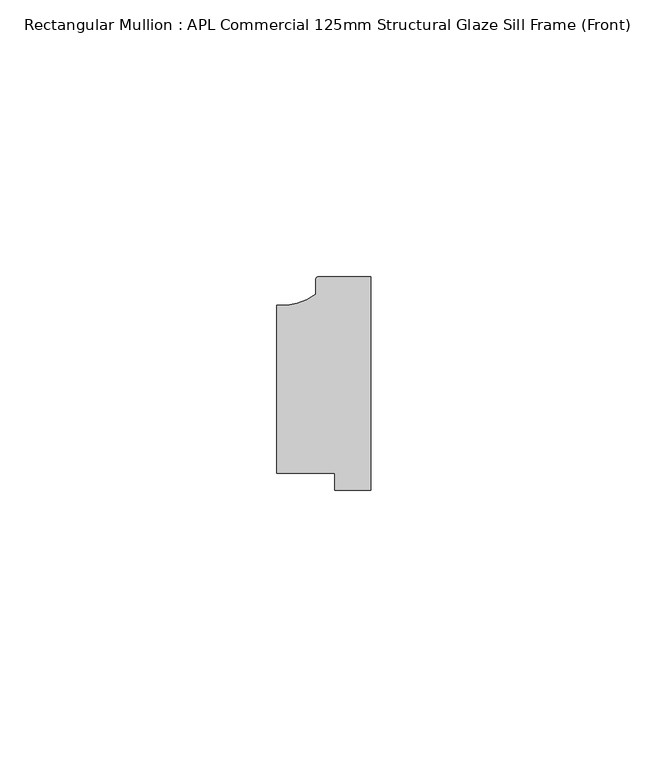
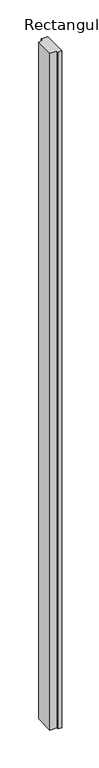
"""IFC4 building model written with IfcOpenShell, lengths in millimetres: member geometry, Rectangular Mullion : APL Commercial 125mm Structural Glaze Sill Frame (Front)."""

import ifcopenshell
import ifcopenshell.guid

model = None  # the IFC model being written
_history = None  # IfcOwnerHistory: only IFC2X3 demands one
_inside = {}  # id of a spatial element -> (the spatial element, [elements in it])
_under = {}  # id of a project, library or spatial element -> (it, [spatial elements below it])
_declared = {}  # id of a project -> (the project, [libraries it declares])
_typed = {}  # id of a type object -> (the type object, [elements of that type])
_made_of = {}  # id of a material, layer set ... -> (it, [elements and type objects made of it])


def new_model(schema):
    """Start an empty IFC model of exactly this schema.

    Asked for "IFC4X3", IfcOpenShell would pick the latest addendum, in which some entities
    have other attributes; the version numbers below select the first issue.
    IFC2X3 requires an IfcOwnerHistory on every rooted entity: one is made here for all.
    """
    global model, _history
    if schema == "IFC4X3":
        model = ifcopenshell.file(schema_version=(4, 3, 0, 0))
    else:
        model = ifcopenshell.file(schema=schema)
    _inside.clear()
    _under.clear()
    _declared.clear()
    _typed.clear()
    _made_of.clear()
    _history = None
    if model.schema == "IFC2X3":
        org = make("IfcOrganization", Name="unknown")
        user = make(
            "IfcPersonAndOrganization",
            ThePerson=make("IfcPerson", FamilyName="unknown"),
            TheOrganization=org,
        )
        app = make(
            "IfcApplication",
            ApplicationDeveloper=org,
            Version="unknown",
            ApplicationFullName="unknown",
            ApplicationIdentifier="unknown",
        )
        _history = make(
            "IfcOwnerHistory",
            OwningUser=user,
            OwningApplication=app,
            ChangeAction="ADDED",
            CreationDate=0,
        )
    return model


def make(cls, **values):
    """One entity of the class cls with the attributes given. An attribute that is None is left unset."""
    return model.create_entity(
        cls, **{name: value for name, value in values.items() if value is not None}
    )


def rooted(cls, **values):
    """An entity with a GlobalId (a new one), such as an element, a storey or a relation."""
    return make(cls, GlobalId=ifcopenshell.guid.new(), OwnerHistory=_history, **values)


def si_unit(unit_type, name, prefix=None):
    """IfcSIUnit, for example si_unit("LENGTHUNIT", "METRE", prefix="MILLI")."""
    return make("IfcSIUnit", UnitType=unit_type, Prefix=prefix, Name=name)


def assignment(units):
    """IfcUnitAssignment: the units of a project."""
    return None if units is None else make("IfcUnitAssignment", Units=units)


def point(xyz):
    """IfcCartesianPoint."""
    return None if xyz is None else make("IfcCartesianPoint", Coordinates=xyz)


def direction(xyz):
    """IfcDirection."""
    return None if xyz is None else make("IfcDirection", DirectionRatios=xyz)


def frame(location, z_axis=None, x_axis=None):
    """IfcAxis2Placement3D, a coordinate frame: its origin and axes. An axis left out is left unset."""
    return make(
        "IfcAxis2Placement3D",
        Location=point(location),
        Axis=direction(z_axis),
        RefDirection=direction(x_axis),
    )


def frame_2d(location, x_axis=None):
    """IfcAxis2Placement2D, a coordinate frame in the plane: its origin and x axis."""
    return make(
        "IfcAxis2Placement2D", Location=point(location), RefDirection=direction(x_axis)
    )


def origin():
    """The frame at (0, 0, 0) with its axes left unset."""
    return frame((0.0, 0.0, 0.0))


def place(relative_to, where):
    """IfcLocalPlacement: puts the frame where relative to a parent placement (None: the world)."""
    return make(
        "IfcLocalPlacement", PlacementRelTo=relative_to, RelativePlacement=where
    )


def context(
    kind, dimensions, precision=None, world=None, true_north=None, identifier=None
):
    """IfcGeometricRepresentationContext, for example the 3D "Model" context."""
    return make(
        "IfcGeometricRepresentationContext",
        ContextIdentifier=identifier,
        ContextType=kind,
        CoordinateSpaceDimension=dimensions,
        Precision=precision,
        WorldCoordinateSystem=world,
        TrueNorth=true_north,
    )


def project(units=None, contexts=None):
    """IfcProject with its units and contexts."""
    return rooted(
        "IfcProject",
        Name="project",
        RepresentationContexts=contexts,
        UnitsInContext=assignment(units),
    )


def spatial(cls, under=None, at=None, **own):
    """A site, building, storey or space (cls), placed at a placement, below another one or the project."""
    s = rooted(cls, ObjectPlacement=at, **own)
    if under is not None:
        _under.setdefault(under.id(), (under, []))[1].append(s)
    return s


def polyline(points):
    """IfcPolyline through the points."""
    return make("IfcPolyline", Points=[point(p) for p in points])


def circle_curve(where, radius):
    """IfcCircle in the frame where."""
    return make("IfcCircle", Position=where, Radius=radius)


def trimmed(basis, trim1, trim2, sense, master):
    """IfcTrimmedCurve: the piece of a basis curve between two trims."""
    return make(
        "IfcTrimmedCurve",
        BasisCurve=basis,
        Trim1=trim1,
        Trim2=trim2,
        SenseAgreement=sense,
        MasterRepresentation=master,
    )


def segment(curve, same_sense, transition):
    """IfcCompositeCurveSegment."""
    return make(
        "IfcCompositeCurveSegment",
        Transition=transition,
        SameSense=same_sense,
        ParentCurve=curve,
    )


def composite_curve(segments, self_intersect=None):
    """IfcCompositeCurve: segments joined end to end."""
    return make("IfcCompositeCurve", Segments=segments, SelfIntersect=self_intersect)


def outline(outer, holes=None, kind="AREA"):
    """IfcArbitraryClosedProfileDef: a profile drawn as a closed curve; with holes, ...WithVoids."""
    if holes is None:
        return make("IfcArbitraryClosedProfileDef", ProfileType=kind, OuterCurve=outer)
    return make(
        "IfcArbitraryProfileDefWithVoids",
        ProfileType=kind,
        OuterCurve=outer,
        InnerCurves=holes,
    )


def extrude(swept, where, along, depth):
    """IfcExtrudedAreaSolid: the profile swept, set in the frame where, extruded along a direction by depth."""
    return make(
        "IfcExtrudedAreaSolid",
        SweptArea=swept,
        Position=where,
        ExtrudedDirection=direction(along),
        Depth=depth,
    )


def shape(context_of_items, identifier, shape_type, items):
    """IfcShapeRepresentation: the items that make up one representation, for example the "Body"."""
    return make(
        "IfcShapeRepresentation",
        ContextOfItems=context_of_items,
        RepresentationIdentifier=identifier,
        RepresentationType=shape_type,
        Items=items,
    )


def source(mapping_origin, context_of_items, identifier, shape_type, items):
    """IfcRepresentationMap: a shape defined once, which mapped items show again and again."""
    return make(
        "IfcRepresentationMap",
        MappingOrigin=mapping_origin,
        MappedRepresentation=shape(context_of_items, identifier, shape_type, items),
    )


def transform(
    local_origin,
    x_axis=None,
    y_axis=None,
    z_axis=None,
    scale=None,
    scale2=None,
    scale3=None,
    uniform=True,
):
    """IfcCartesianTransformationOperator3D, or its non-uniform kind. x_axis, y_axis, z_axis: its Axis1, 2, 3."""
    if uniform:
        return make(
            "IfcCartesianTransformationOperator3D",
            Axis1=direction(x_axis),
            Axis2=direction(y_axis),
            LocalOrigin=point(local_origin),
            Scale=scale,
            Axis3=direction(z_axis),
        )
    return make(
        "IfcCartesianTransformationOperator3DnonUniform",
        Axis1=direction(x_axis),
        Axis2=direction(y_axis),
        LocalOrigin=point(local_origin),
        Scale=scale,
        Axis3=direction(z_axis),
        Scale2=scale2,
        Scale3=scale3,
    )


def mapped(mapping_source, mapping_target):
    """IfcMappedItem: shows the shape of a source again, moved by a transform."""
    return make(
        "IfcMappedItem", MappingSource=mapping_source, MappingTarget=mapping_target
    )


def made_of(thing, what):
    """Note that an element or type object is made of a material, layer set ...; save() writes the relation."""
    if what is not None:
        _made_of.setdefault(what.id(), (what, []))[1].append(thing)
    return thing


def element(
    cls,
    number,
    at=None,
    inside=None,
    cuts=None,
    type_object=None,
    material=None,
    context=None,
    identifier="Body",
    shape_type=None,
    held_by="IfcProductDefinitionShape",
    body=None,
    shapes=None,
    **own,
):
    """One element of the class cls, such as IfcWall. Its Tag is "e" and its number.

    at: its placement. inside: the storey or other place that contains it. cuts: it is an
    opening in that element (IfcRelVoidsElement). A single representation is given by context,
    identifier, shape_type and body (its items); several are given by shapes. held_by: the class
    of the entity that holds the representations. save() writes the other relations.
    """
    e = rooted(cls, Tag="e%d" % number, ObjectPlacement=at, **own)
    if body is not None:
        shapes = [shape(context, identifier, shape_type, body)]
    if shapes is not None:
        e.Representation = make(held_by, Representations=shapes)
    if inside is not None:
        _inside.setdefault(inside.id(), (inside, []))[1].append(e)
    if cuts is not None:
        rooted(
            "IfcRelVoidsElement", RelatingBuildingElement=cuts, RelatedOpeningElement=e
        )
    if type_object is not None:
        _typed.setdefault(type_object.id(), (type_object, []))[1].append(e)
    return made_of(e, material)


def aggregate(whole, parts):
    """IfcRelAggregates: a whole, such as a stair, and the parts it consists of."""
    return rooted("IfcRelAggregates", RelatingObject=whole, RelatedObjects=parts)


def save(model, path):
    """Write the relations noted so far, then the file.

    IfcRelAggregates (storeys below a building ...), IfcRelContainedInSpatialStructure (elements
    in a storey), IfcRelDefinesByType, IfcRelAssociatesMaterial and IfcRelDeclares: one each for
    every whole, place, type object, material and project.
    """
    for whole, parts in _under.values():
        aggregate(whole, parts)
    for where, things in _inside.values():
        rooted(
            "IfcRelContainedInSpatialStructure",
            RelatedElements=things,
            RelatingStructure=where,
        )
    for kind, things in _typed.values():
        rooted("IfcRelDefinesByType", RelatedObjects=things, RelatingType=kind)
    for what, things in _made_of.values():
        rooted("IfcRelAssociatesMaterial", RelatedObjects=things, RelatingMaterial=what)
    for by, libraries in _declared.values():
        rooted("IfcRelDeclares", RelatingContext=by, RelatedDefinitions=libraries)
    model.write(path)


def rectangular_mullion_apl_commercial_125mm_structural_glaze_b537376e(model_context):
    return source(origin(), model_context, "Body", "SweptSolid", [
        extrude(outline(composite_curve([segment(trimmed(circle_curve(frame_2d((-16.1098048, 25.7977481)), 10.4563907), [point((-16.999942, 15.3793144))], [point((-10.0, 17.3120901))], True, "CARTESIAN"), True, "CONTINUOUS"), segment(polyline([(-10.0, 17.3120901), (-10.0, 19.9980675)]), True, "CONTINUOUS"), segment(trimmed(circle_curve(frame_2d((-9.5000029, 19.99978)), 0.5), [point((-10.0, 19.9980675))], [point((-9.5000029, 20.49978))], False, "CARTESIAN"), True, "CONTINUOUS"), segment(polyline([(-9.5000029, 20.49978), (0.0, 20.49978), (0.0, -18.0281616), (-6.5000029, -18.0281616), (-6.5000029, -15.0004332), (-16.999942, -15.0004332), (-16.999942, 15.3793144)]), True, "CONTINUOUS")], self_intersect=False)), frame((0.0, 0.0, -1120.7655746), z_axis=(0.0, 0.0, 1.0), x_axis=(1.0, 0.0, 0.0)), (0.0, 0.0, 1.0), 1120.7655746),
    ])


if __name__ == "__main__":
    model = new_model("IFC4")
    model_context = context("Model", 3, world=origin())
    ifc_project = project(units=[si_unit("LENGTHUNIT", "METRE", prefix="MILLI")], contexts=[model_context])
    site = spatial("IfcSite", under=ifc_project)
    building = spatial("IfcBuilding", under=site)
    placement = place(None, origin())
    rectangular_mullion_apl_commercial_125mm_structural_glaze_shape = rectangular_mullion_apl_commercial_125mm_structural_glaze_b537376e(model_context)
    element("IfcMember", 1, ObjectType="Rectangular Mullion : APL Commercial 125mm Structural Glaze Sill Frame (Front)", at=placement, inside=building, context=model_context, shape_type="MappedRepresentation", body=[
        mapped(rectangular_mullion_apl_commercial_125mm_structural_glaze_shape, transform((0.0, 0.0, 0.0), x_axis=(1.0, 0.0, 0.0), y_axis=(0.0, 1.0, 0.0), z_axis=(0.0, 0.0, 1.0))),
    ])
    save(model, "model.ifc")
